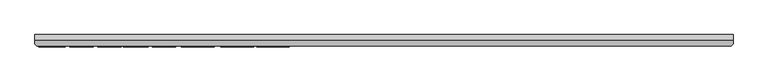
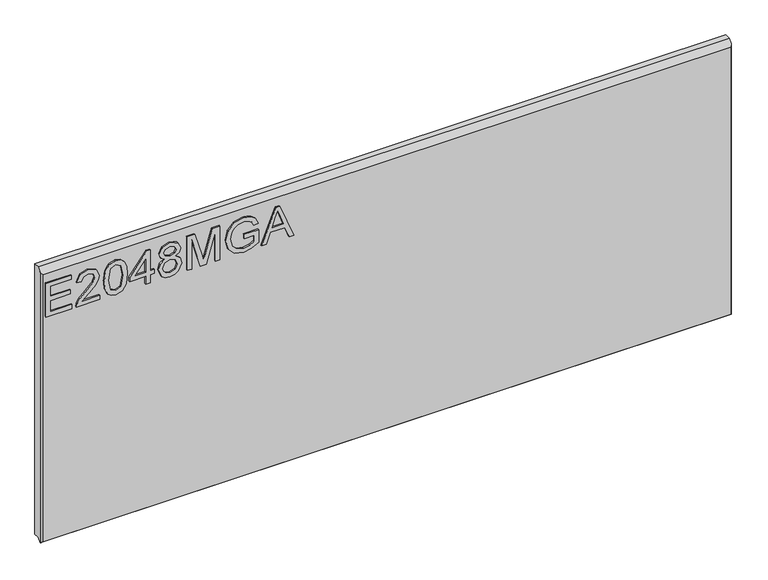
"""IFC4 building model written with IfcOpenShell, lengths in millimetres: furniture geometry."""

from ifc_helpers import new_model, si_unit, frame, origin, place, context, project, spatial, polyline, outline, extrude, faceted_brep, source, transform, mapped, element, save


def furniture_758ba5db(model_context):
    return source(origin(), model_context, "Body", "SolidModel", [
        extrude(outline(polyline([(1523.7940484, -279.2238335), (1523.7940484, -233.3084489), (1531.609433, -233.3084489), (1531.609433, -271.4084489), (1552.1248176, -271.4084489), (1552.1248176, -236.2392182), (1559.9402023, -236.2392182), (1559.9402023, -271.4084489), (1578.5017407, -271.4084489), (1578.5017407, -234.285372), (1586.3171253, -234.285372), (1586.3171253, -279.2238335), (1523.7940484, -279.2238335)])), frame((0.0, -21.9273438, 0.0), z_axis=(0.0, 1.0, 0.0), x_axis=(0.0, 0.0, 1.0)), (0.0, 0.0, 1.0), 2.38125),
        extrude(outline(polyline([(1531.609433, -184.4622951), (1531.609433, -215.1590499), (1535.5858152, -211.6329682), (1543.1035436, -202.642223), (1553.8115364, -191.4457686), (1561.4742768, -186.8282807), (1568.8851542, -185.4392182), (1581.3103946, -190.5909609), (1586.3171253, -204.5808047), (1581.8141205, -218.5248552), (1568.73251, -224.5161412), (1567.7555869, -216.7007566), (1575.6472936, -213.4112734), (1578.5017407, -204.7487134), (1575.5786037, -196.437235), (1568.4119571, -193.2546028), (1559.5585917, -196.6280403), (1546.5380388, -210.1217903), (1537.4786037, -219.9062855), (1529.1823898, -224.653521), (1523.7940484, -225.4930643), (1523.7940484, -184.4622951), (1531.609433, -184.4622951)])), frame((0.0, -21.9273438, 0.0), z_axis=(0.0, 1.0, 0.0), x_axis=(0.0, 0.0, 1.0)), (0.0, 0.0, 1.0), 2.38125),
        extrude(outline(polyline([(1554.5518609, -176.6469105), (1539.3446794, -175.0899393), (1528.7702503, -170.4190259), (1524.3054066, -164.2521989), (1522.8171253, -156.1315259), (1526.2439883, -144.6908408), (1536.6390604, -137.8905403), (1554.5518609, -135.6161412), (1569.2438681, -137.0357326), (1578.4941085, -140.6991941), (1584.3022215, -147.0034009), (1586.3171253, -156.1315259), (1582.913159, -167.5264177), (1572.5409835, -174.3496148), (1554.5518609, -176.6469105)]), holes=[polyline([(1554.5671253, -168.8315259), (1574.3192888, -165.0459489), (1578.5017407, -156.2231124), (1573.7545051, -146.972872), (1554.5671253, -143.4315259), (1535.1736758, -147.0949874), (1530.63251, -156.1315259), (1535.1584114, -165.1680643), (1554.5671253, -168.8315259)])]), frame((0.0, -21.9273438, 0.0), z_axis=(0.0, 1.0, 0.0), x_axis=(0.0, 0.0, 1.0)), (0.0, 0.0, 1.0), 2.38125),
        extrude(outline(polyline([(1523.7940484, -103.3776797), (1523.7940484, -95.5622951), (1538.4478946, -95.5622951), (1538.4478946, -87.7469105), (1546.2632792, -87.7469105), (1546.2632792, -95.5622951), (1585.3402023, -95.5622951), (1585.3402023, -101.4238335), (1546.2632792, -131.7084489), (1538.4478946, -131.7084489), (1538.4478946, -103.3776797), (1523.7940484, -103.3776797)]), holes=[polyline([(1546.2632792, -103.3776797), (1546.2632792, -122.0918624), (1570.4115965, -103.3776797), (1546.2632792, -103.3776797)])]), frame((0.0, -21.9273438, 0.0), z_axis=(0.0, 1.0, 0.0), x_axis=(0.0, 0.0, 1.0)), (0.0, 0.0, 1.0), 2.38125),
        extrude(outline(polyline([(1558.2305869, -69.5211893), (1552.5522215, -77.9471509), (1542.2029426, -80.9084489), (1528.3657431, -75.2606124), (1524.2042798, -68.7198071), (1522.8171253, -60.3930643), (1524.1985556, -52.0663215), (1528.3428465, -45.5255162), (1541.9892407, -39.8776797), (1552.101921, -42.7244946), (1558.2305869, -51.035973), (1563.0617768, -44.1135571), (1570.4268609, -41.8315259), (1581.6920051, -46.960372), (1586.3171253, -60.4999153), (1581.7988561, -73.9173432), (1570.6405628, -78.9546028), (1563.0846734, -76.6420427), (1558.2305869, -69.5211893)]), holes=[polyline([(1570.4115965, -71.1392182), (1576.1204907, -68.3229321), (1578.5017407, -60.3930643), (1576.0670652, -52.4860932), (1570.0605148, -49.6469105), (1564.260034, -52.3945066), (1561.8940484, -60.3014778), (1564.2752984, -68.3687254), (1570.4115965, -71.1392182)]), polyline([(1542.4777023, -73.0930643), (1550.766284, -69.7883167), (1554.0786638, -60.5915018), (1550.7204907, -51.1275595), (1542.2334715, -47.6930643), (1533.9067287, -51.0207085), (1530.63251, -60.3320066), (1532.1894811, -67.1704682), (1536.5932672, -71.7879561), (1542.4777023, -73.0930643)])]), frame((0.0, -21.9273438, 0.0), z_axis=(0.0, 1.0, 0.0), x_axis=(0.0, 0.0, 1.0)), (0.0, 0.0, 1.0), 2.38125),
        extrude(outline(polyline([(1523.7940484, -30.1084489), (1523.7940484, -22.2930643), (1578.5017407, -22.2930643), (1523.7940484, -6.585973), (1523.7940484, 4.0075366), (1578.5017407, 19.714628), (1523.7940484, 19.714628), (1523.7940484, 27.5300126), (1586.3171253, 27.5300126), (1586.3171253, 14.0820559), (1543.0119571, 1.5041713), (1533.0442888, -1.2892182), (1542.2487359, -3.8689057), (1586.3171253, -16.6604922), (1586.3171253, -30.1084489), (1523.7940484, -30.1084489)])), frame((0.0, -21.9273438, 0.0), z_axis=(0.0, 1.0, 0.0), x_axis=(0.0, 0.0, 1.0)), (0.0, 0.0, 1.0), 2.38125),
        extrude(outline(polyline([(1548.2171253, 70.514628), (1548.2171253, 88.0992434), (1536.9214523, 88.0992434), (1532.6397816, 80.18464), (1530.63251, 69.4919116), (1533.2961518, 57.5780294), (1541.4473537, 49.0299525), (1555.0708513, 46.0915511), (1567.3434475, 48.5338588), (1573.3652624, 52.5560342), (1577.7919451, 59.3639669), (1579.4786638, 69.3697963), (1577.9140604, 78.1544717), (1573.7468729, 84.2449766), (1566.5191686, 87.8092193), (1568.5493369, 95.014027), (1578.8909835, 90.2896881), (1585.0730749, 81.7187145), (1587.2940484, 69.4919116), (1583.4626782, 53.0368636), (1571.7472335, 42.08464), (1554.7502984, 38.2761665), (1538.1273417, 42.0999044), (1526.7477143, 53.4261064), (1522.8171253, 70.117753), (1525.2899619, 83.3749044), (1532.6626782, 95.914628), (1556.03251, 95.914628), (1556.03251, 70.514628), (1548.2171253, 70.514628)])), frame((0.0, -21.9273438, 0.0), z_axis=(0.0, 1.0, 0.0), x_axis=(0.0, 0.0, 1.0)), (0.0, 0.0, 1.0), 2.38125),
        extrude(outline(polyline([(1523.7940484, 101.3334982), (1523.7940484, 109.5915511), (1543.33251, 116.7353011), (1543.33251, 142.4863828), (1523.7940484, 149.6453972), (1523.7940484, 157.9034501), (1586.3171253, 132.9461184), (1586.3171253, 126.2908299), (1523.7940484, 101.3334982)]), holes=[polyline([(1551.1478946, 119.6050126), (1567.8624378, 125.7260463), (1578.5017407, 129.6184741), (1566.5191686, 133.9993636), (1551.1478946, 139.6319357), (1551.1478946, 119.6050126)])]), frame((0.0, -21.9273438, 0.0), z_axis=(0.0, 1.0, 0.0), x_axis=(0.0, 0.0, 1.0)), (0.0, 0.0, 1.0), 2.38125),
        faceted_brep([(933.1377049, 0.0, 1612.6940484), (-286.0622951, 0.0, 1612.6940484), (-286.0622951, -9.7234375, 1612.6940484), (933.1377049, -9.7234375, 1612.6940484), (-286.0622951, 0.0, 1108.1222661), (933.1377049, 0.0, 1108.1222661), (933.1377049, -10.0210916, 1108.1222661), (-286.0622951, -10.0210916, 1108.1222661), (-286.0622951, -16.3710916, 1101.7722661), (-286.0622951, -16.3710938, 1606.0463922), (929.9627049, -19.5460937, 1602.8713922), (-282.8872951, -19.5460937, 1602.8713922), (-282.8872951, -19.5460937, 1104.9472661), (929.962707, -19.5460937, 1104.9472661), (933.1377049, -16.3710938, 1606.0463922), (933.1377049, -16.3710938, 1101.7722661)], [[[0, 1, 2, 3]], [[4, 5, 6, 7]], [[1, 4, 7, 8, 9, 2]], [[10, 11, 12, 13]], [[5, 0, 3, 14, 15, 6]], [[1, 0, 5, 4]], [[3, 2, 9, 11, 10, 14]], [[6, 15, 8, 7]], [[8, 15, 13, 12]], [[9, 8, 12, 11]], [[10, 13, 15, 14]]]),
    ])


if __name__ == "__main__":
    model = new_model("IFC4")
    model_context = context("Model", 3, world=origin())
    ifc_project = project(units=[si_unit("LENGTHUNIT", "METRE", prefix="MILLI")], contexts=[model_context])
    site = spatial("IfcSite", under=ifc_project)
    building = spatial("IfcBuilding", under=site)
    placement = place(None, origin())
    furniture_shape = furniture_758ba5db(model_context)
    element("IfcFurniture", 1, at=placement, inside=building, context=model_context, shape_type="MappedRepresentation", body=[
        mapped(furniture_shape, transform((0.0, 0.0, 0.0), x_axis=(1.0, 0.0, 0.0), y_axis=(0.0, 1.0, 0.0), z_axis=(0.0, 0.0, 1.0))),
    ])
    save(model, "model.ifc")
